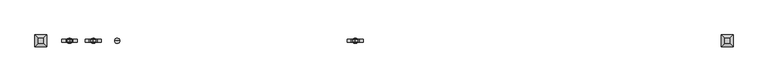
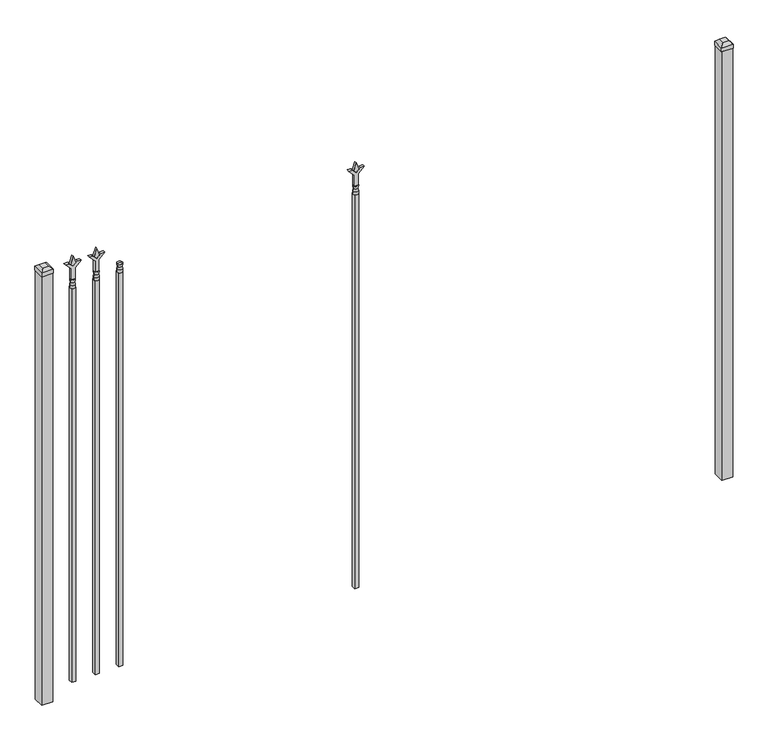
"""IFC4 building model written with IfcOpenShell, lengths in millimetres: railing geometry."""

from ifc_helpers import new_model, si_unit, frame, origin, origin_with_axes, place, context, project, spatial, polyline, circle_curve, outline, extrude, faceted_brep, source, transform, mapped, element, save
from ifc_brep_helpers import plane_surface, cylinder_surface, revolved_surface, advanced_brep


def railing_da590af6(model_context):
    return source(origin(), model_context, "Body", "SolidModel", [
        advanced_brep(
        [(-60983.1035036, -6731.2570174, 1993.9), (-61006.9160036, -6731.2570174, 1993.9), (-61006.9160036, -6731.2570174, 1981.2), (-60983.1035036, -6731.2570174, 1981.2), (-60985.3088355, -6731.2570174, 2006.4070585), (-61004.7106718, -6731.2570174, 2006.4070585), (-60983.1035036, -6731.2570174, 2022.475), (-61006.9160036, -6731.2570174, 2022.475), (-60995.0097536, -6731.2570174, 2022.475), (-60995.0097536, -6731.2570174, 1981.2)],
        [
            (0, 1, circle_curve(frame((-60995.0097536, -6731.2570174, 1993.9), z_axis=(0.0, 0.0, -1.0), x_axis=(-1.0, 0.0, 0.0)), 11.90625)),
            (1, 2),
            (2, 3, circle_curve(frame((-60995.0097536, -6731.2570174, 1981.2), z_axis=(0.0, 0.0, 1.0), x_axis=(-1.0, 0.0, 0.0)), 11.90625)),
            (3, 0),
            (1, 0, circle_curve(frame((-60995.0097536, -6731.2570174, 1993.9), z_axis=(0.0, 0.0, -1.0), x_axis=(-1.0, 0.0, 0.0)), 11.90625)),
            (3, 2, circle_curve(frame((-60995.0097536, -6731.2570174, 1981.2), z_axis=(0.0, 0.0, 1.0), x_axis=(-1.0, 0.0, 0.0)), 11.90625)),
            (4, 5, circle_curve(frame((-60995.0097536, -6731.2570174, 2006.4070585), z_axis=(0.0, 0.0, -1.0), x_axis=(-1.0, 0.0, 0.0)), 9.7009181)),
            (5, 1),
            (0, 4),
            (5, 4, circle_curve(frame((-60995.0097536, -6731.2570174, 2006.4070585), z_axis=(0.0, 0.0, -1.0), x_axis=(-1.0, 0.0, 0.0)), 9.7009181)),
            (6, 7, circle_curve(frame((-60995.0097536, -6731.2570174, 2022.475), z_axis=(0.0, 0.0, -1.0), x_axis=(-1.0, 0.0, 0.0)), 11.90625)),
            (7, 5),
            (4, 6),
            (7, 6, circle_curve(frame((-60995.0097536, -6731.2570174, 2022.475), z_axis=(0.0, 0.0, -1.0), x_axis=(-1.0, 0.0, 0.0)), 11.90625)),
            (8, 7),
            (6, 8),
            (2, 9),
            (9, 3),
        ],
        [
            cylinder_surface(frame((-60995.0097536, -6731.2570174, 1981.2), z_axis=(0.0, 0.0, 1.0), x_axis=(-1.0, 0.0, 0.0)), 11.90625),
            revolved_surface(polyline([(-61006.9160036, -6731.2570174, 1993.9), (-61004.7106718, -6731.2570174, 2006.4070585)]), (-60995.0097536, -6731.2570174, 1981.2), (0.0, 0.0, 1.0)),
            revolved_surface(polyline([(-61004.7106718, -6731.2570174, 2006.4070585), (-61006.9160036, -6731.2570174, 2022.475)]), (-60995.0097536, -6731.2570174, 1981.2), (0.0, 0.0, 1.0)),
            plane_surface(frame((-60995.0097536, -6731.2570174, 2022.475), z_axis=(0.0, 0.0, 1.0), x_axis=(-1.0, 0.0, 0.0))),
            plane_surface(frame((-60995.0097536, -6731.2570174, 1981.2), z_axis=(0.0, 0.0, -1.0), x_axis=(-1.0, 0.0, 0.0))),
        ],
        [
            (0, [[1, 2, 3, 4]]),
            (0, [[5, -4, 6, -2]]),
            (1, [[7, 8, -1, 9]]),
            (1, [[10, -9, -5, -8]]),
            (2, [[11, 12, -7, 13]]),
            (2, [[14, -13, -10, -12]]),
            (3, [[15, -11, 16]]),
            (3, [[-16, -14, -15]]),
            (4, [[-3, 17, 18]]),
            (4, [[-6, -18, -17]]),
        ],
    ),
        extrude(outline(polyline([(-61004.5347536, -6721.7320174), (-60985.4847536, -6721.7320174), (-60985.4847536, -6740.7820174), (-61004.5347536, -6740.7820174), (-61004.5347536, -6721.7320174)])), frame((0.0, 0.0, 50.8), z_axis=(0.0, 0.0, 1.0), x_axis=(1.0, 0.0, 0.0)), (0.0, 0.0, 1.0), 1930.4),
        extrude(outline(polyline([(2097.88125, -61092.3764203), (2133.6, -61104.2826703), (2097.88125, -61116.1889203), (2085.975, -61104.2826703), (2097.88125, -61092.3764203)])), frame((0.0, -6736.0195174, 0.0), z_axis=(0.0, 1.0, 0.0), x_axis=(0.0, 0.0, 1.0)), (0.0, 0.0, 1.0), 9.525),
        extrude(outline(polyline([(2022.475, -61095.5514203), (2076.7457378, -61095.5514203), (2103.9355122, -61068.3616458), (2103.9355122, -61086.3221581), (2085.975, -61104.2826703), (2103.9355122, -61122.2431825), (2103.9355122, -61140.2036948), (2076.7457378, -61113.0139203), (2022.475, -61113.0139203), (2022.475, -61095.5514203)])), frame((0.0, -6737.6070174, 0.0), z_axis=(0.0, 1.0, 0.0), x_axis=(0.0, 0.0, 1.0)), (0.0, 0.0, 1.0), 12.7),
        advanced_brep(
        [(-61092.3764203, -6731.2570174, 1993.9), (-61116.1889203, -6731.2570174, 1993.9), (-61116.1889203, -6731.2570174, 1981.2), (-61092.3764203, -6731.2570174, 1981.2), (-61094.5817522, -6731.2570174, 2006.4070585), (-61113.9835884, -6731.2570174, 2006.4070585), (-61092.3764203, -6731.2570174, 2022.475), (-61116.1889203, -6731.2570174, 2022.475), (-61104.2826703, -6731.2570174, 2022.475), (-61104.2826703, -6731.2570174, 1981.2)],
        [
            (0, 1, circle_curve(frame((-61104.2826703, -6731.2570174, 1993.9), z_axis=(0.0, 0.0, -1.0), x_axis=(-1.0, 0.0, 0.0)), 11.90625)),
            (1, 2),
            (2, 3, circle_curve(frame((-61104.2826703, -6731.2570174, 1981.2), z_axis=(0.0, 0.0, 1.0), x_axis=(-1.0, 0.0, 0.0)), 11.90625)),
            (3, 0),
            (1, 0, circle_curve(frame((-61104.2826703, -6731.2570174, 1993.9), z_axis=(0.0, 0.0, -1.0), x_axis=(-1.0, 0.0, 0.0)), 11.90625)),
            (3, 2, circle_curve(frame((-61104.2826703, -6731.2570174, 1981.2), z_axis=(0.0, 0.0, 1.0), x_axis=(-1.0, 0.0, 0.0)), 11.90625)),
            (4, 5, circle_curve(frame((-61104.2826703, -6731.2570174, 2006.4070585), z_axis=(0.0, 0.0, -1.0), x_axis=(-1.0, 0.0, 0.0)), 9.7009181)),
            (5, 1),
            (0, 4),
            (5, 4, circle_curve(frame((-61104.2826703, -6731.2570174, 2006.4070585), z_axis=(0.0, 0.0, -1.0), x_axis=(-1.0, 0.0, 0.0)), 9.7009181)),
            (6, 7, circle_curve(frame((-61104.2826703, -6731.2570174, 2022.475), z_axis=(0.0, 0.0, -1.0), x_axis=(-1.0, 0.0, 0.0)), 11.90625)),
            (7, 5),
            (4, 6),
            (7, 6, circle_curve(frame((-61104.2826703, -6731.2570174, 2022.475), z_axis=(0.0, 0.0, -1.0), x_axis=(-1.0, 0.0, 0.0)), 11.90625)),
            (8, 7),
            (6, 8),
            (2, 9),
            (9, 3),
        ],
        [
            cylinder_surface(frame((-61104.2826703, -6731.2570174, 1981.2), z_axis=(0.0, 0.0, 1.0), x_axis=(-1.0, 0.0, 0.0)), 11.90625),
            revolved_surface(polyline([(-61116.1889203, -6731.2570174, 1993.9), (-61113.9835884, -6731.2570174, 2006.4070585)]), (-61104.2826703, -6731.2570174, 1981.2), (0.0, 0.0, 1.0)),
            revolved_surface(polyline([(-61113.9835884, -6731.2570174, 2006.4070585), (-61116.1889203, -6731.2570174, 2022.475)]), (-61104.2826703, -6731.2570174, 1981.2), (0.0, 0.0, 1.0)),
            plane_surface(frame((-61104.2826703, -6731.2570174, 2022.475), z_axis=(0.0, 0.0, 1.0), x_axis=(-1.0, 0.0, 0.0))),
            plane_surface(frame((-61104.2826703, -6731.2570174, 1981.2), z_axis=(0.0, 0.0, -1.0), x_axis=(-1.0, 0.0, 0.0))),
        ],
        [
            (0, [[1, 2, 3, 4]]),
            (0, [[5, -4, 6, -2]]),
            (1, [[7, 8, -1, 9]]),
            (1, [[10, -9, -5, -8]]),
            (2, [[11, 12, -7, 13]]),
            (2, [[14, -13, -10, -12]]),
            (3, [[15, -11, 16]]),
            (3, [[-16, -14, -15]]),
            (4, [[-3, 17, 18]]),
            (4, [[-6, -18, -17]]),
        ],
    ),
        extrude(outline(polyline([(-61113.8076703, -6721.7320174), (-61094.7576703, -6721.7320174), (-61094.7576703, -6740.7820174), (-61113.8076703, -6740.7820174), (-61113.8076703, -6721.7320174)])), frame((0.0, 0.0, 50.8), z_axis=(0.0, 0.0, 1.0), x_axis=(1.0, 0.0, 0.0)), (0.0, 0.0, 1.0), 1930.4),
        extrude(outline(polyline([(2097.88125, -59890.374337), (2133.6, -59902.280587), (2097.88125, -59914.186837), (2085.975, -59902.280587), (2097.88125, -59890.374337)])), frame((0.0, -6736.0195174, 0.0), z_axis=(0.0, 1.0, 0.0), x_axis=(0.0, 0.0, 1.0)), (0.0, 0.0, 1.0), 9.525),
        extrude(outline(polyline([(2022.475, -59893.549337), (2076.7457378, -59893.549337), (2103.9355122, -59866.3595625), (2103.9355122, -59884.3200747), (2085.975, -59902.280587), (2103.9355122, -59920.2410992), (2103.9355122, -59938.2016114), (2076.7457378, -59911.011837), (2022.475, -59911.011837), (2022.475, -59893.549337)])), frame((0.0, -6737.6070174, 0.0), z_axis=(0.0, 1.0, 0.0), x_axis=(0.0, 0.0, 1.0)), (0.0, 0.0, 1.0), 12.7),
        advanced_brep(
        [(-59890.374337, -6731.2570174, 1993.9), (-59914.186837, -6731.2570174, 1993.9), (-59914.186837, -6731.2570174, 1981.2), (-59890.374337, -6731.2570174, 1981.2), (-59892.5796688, -6731.2570174, 2006.4070585), (-59911.9815051, -6731.2570174, 2006.4070585), (-59890.374337, -6731.2570174, 2022.475), (-59914.186837, -6731.2570174, 2022.475), (-59902.280587, -6731.2570174, 2022.475), (-59902.280587, -6731.2570174, 1981.2)],
        [
            (0, 1, circle_curve(frame((-59902.280587, -6731.2570174, 1993.9), z_axis=(0.0, 0.0, -1.0), x_axis=(-1.0, 0.0, 0.0)), 11.90625)),
            (1, 2),
            (2, 3, circle_curve(frame((-59902.280587, -6731.2570174, 1981.2), z_axis=(0.0, 0.0, 1.0), x_axis=(-1.0, 0.0, 0.0)), 11.90625)),
            (3, 0),
            (1, 0, circle_curve(frame((-59902.280587, -6731.2570174, 1993.9), z_axis=(0.0, 0.0, -1.0), x_axis=(-1.0, 0.0, 0.0)), 11.90625)),
            (3, 2, circle_curve(frame((-59902.280587, -6731.2570174, 1981.2), z_axis=(0.0, 0.0, 1.0), x_axis=(-1.0, 0.0, 0.0)), 11.90625)),
            (4, 5, circle_curve(frame((-59902.280587, -6731.2570174, 2006.4070585), z_axis=(0.0, 0.0, -1.0), x_axis=(-1.0, 0.0, 0.0)), 9.7009181)),
            (5, 1),
            (0, 4),
            (5, 4, circle_curve(frame((-59902.280587, -6731.2570174, 2006.4070585), z_axis=(0.0, 0.0, -1.0), x_axis=(-1.0, 0.0, 0.0)), 9.7009181)),
            (6, 7, circle_curve(frame((-59902.280587, -6731.2570174, 2022.475), z_axis=(0.0, 0.0, -1.0), x_axis=(-1.0, 0.0, 0.0)), 11.90625)),
            (7, 5),
            (4, 6),
            (7, 6, circle_curve(frame((-59902.280587, -6731.2570174, 2022.475), z_axis=(0.0, 0.0, -1.0), x_axis=(-1.0, 0.0, 0.0)), 11.90625)),
            (8, 7),
            (6, 8),
            (2, 9),
            (9, 3),
        ],
        [
            cylinder_surface(frame((-59902.280587, -6731.2570174, 1981.2), z_axis=(0.0, 0.0, 1.0), x_axis=(-1.0, 0.0, 0.0)), 11.90625),
            revolved_surface(polyline([(-59914.186837, -6731.2570174, 1993.9), (-59911.9815051, -6731.2570174, 2006.4070585)]), (-59902.280587, -6731.2570174, 1981.2), (0.0, 0.0, 1.0)),
            revolved_surface(polyline([(-59911.9815051, -6731.2570174, 2006.4070585), (-59914.186837, -6731.2570174, 2022.475)]), (-59902.280587, -6731.2570174, 1981.2), (0.0, 0.0, 1.0)),
            plane_surface(frame((-59902.280587, -6731.2570174, 2022.475), z_axis=(0.0, 0.0, 1.0), x_axis=(-1.0, 0.0, 0.0))),
            plane_surface(frame((-59902.280587, -6731.2570174, 1981.2), z_axis=(0.0, 0.0, -1.0), x_axis=(-1.0, 0.0, 0.0))),
        ],
        [
            (0, [[1, 2, 3, 4]]),
            (0, [[5, -4, 6, -2]]),
            (1, [[7, 8, -1, 9]]),
            (1, [[10, -9, -5, -8]]),
            (2, [[11, 12, -7, 13]]),
            (2, [[14, -13, -10, -12]]),
            (3, [[15, -11, 16]]),
            (3, [[-16, -14, -15]]),
            (4, [[-3, 17, 18]]),
            (4, [[-6, -18, -17]]),
        ],
    ),
        extrude(outline(polyline([(-59911.805587, -6721.7320174), (-59892.755587, -6721.7320174), (-59892.755587, -6740.7820174), (-59911.805587, -6740.7820174), (-59911.805587, -6721.7320174)])), frame((0.0, 0.0, 50.8), z_axis=(0.0, 0.0, 1.0), x_axis=(1.0, 0.0, 0.0)), (0.0, 0.0, 1.0), 1930.4),
        extrude(outline(polyline([(2097.88125, -61201.649337), (2133.6, -61213.555587), (2097.88125, -61225.461837), (2085.975, -61213.555587), (2097.88125, -61201.649337)])), frame((0.0, -6736.0195174, 0.0), z_axis=(0.0, 1.0, 0.0), x_axis=(0.0, 0.0, 1.0)), (0.0, 0.0, 1.0), 9.525),
        extrude(outline(polyline([(2022.475, -61204.824337), (2076.7457378, -61204.824337), (2103.9355122, -61177.6345625), (2103.9355122, -61195.5950747), (2085.975, -61213.555587), (2103.9355122, -61231.5160992), (2103.9355122, -61249.4766114), (2076.7457378, -61222.286837), (2022.475, -61222.286837), (2022.475, -61204.824337)])), frame((0.0, -6737.6070174, 0.0), z_axis=(0.0, 1.0, 0.0), x_axis=(0.0, 0.0, 1.0)), (0.0, 0.0, 1.0), 12.7),
        advanced_brep(
        [(-61201.649337, -6731.2570174, 1993.9), (-61225.461837, -6731.2570174, 1993.9), (-61225.461837, -6731.2570174, 1981.2), (-61201.649337, -6731.2570174, 1981.2), (-61203.8546688, -6731.2570174, 2006.4070585), (-61223.2565051, -6731.2570174, 2006.4070585), (-61201.649337, -6731.2570174, 2022.475), (-61225.461837, -6731.2570174, 2022.475), (-61213.555587, -6731.2570174, 2022.475), (-61213.555587, -6731.2570174, 1981.2)],
        [
            (0, 1, circle_curve(frame((-61213.555587, -6731.2570174, 1993.9), z_axis=(0.0, 0.0, -1.0), x_axis=(-1.0, 0.0, 0.0)), 11.90625)),
            (1, 2),
            (2, 3, circle_curve(frame((-61213.555587, -6731.2570174, 1981.2), z_axis=(0.0, 0.0, 1.0), x_axis=(-1.0, 0.0, 0.0)), 11.90625)),
            (3, 0),
            (1, 0, circle_curve(frame((-61213.555587, -6731.2570174, 1993.9), z_axis=(0.0, 0.0, -1.0), x_axis=(-1.0, 0.0, 0.0)), 11.90625)),
            (3, 2, circle_curve(frame((-61213.555587, -6731.2570174, 1981.2), z_axis=(0.0, 0.0, 1.0), x_axis=(-1.0, 0.0, 0.0)), 11.90625)),
            (4, 5, circle_curve(frame((-61213.555587, -6731.2570174, 2006.4070585), z_axis=(0.0, 0.0, -1.0), x_axis=(-1.0, 0.0, 0.0)), 9.7009181)),
            (5, 1),
            (0, 4),
            (5, 4, circle_curve(frame((-61213.555587, -6731.2570174, 2006.4070585), z_axis=(0.0, 0.0, -1.0), x_axis=(-1.0, 0.0, 0.0)), 9.7009181)),
            (6, 7, circle_curve(frame((-61213.555587, -6731.2570174, 2022.475), z_axis=(0.0, 0.0, -1.0), x_axis=(-1.0, 0.0, 0.0)), 11.90625)),
            (7, 5),
            (4, 6),
            (7, 6, circle_curve(frame((-61213.555587, -6731.2570174, 2022.475), z_axis=(0.0, 0.0, -1.0), x_axis=(-1.0, 0.0, 0.0)), 11.90625)),
            (8, 7),
            (6, 8),
            (2, 9),
            (9, 3),
        ],
        [
            cylinder_surface(frame((-61213.555587, -6731.2570174, 1981.2), z_axis=(0.0, 0.0, 1.0), x_axis=(-1.0, 0.0, 0.0)), 11.90625),
            revolved_surface(polyline([(-61225.461837, -6731.2570174, 1993.9), (-61223.2565051, -6731.2570174, 2006.4070585)]), (-61213.555587, -6731.2570174, 1981.2), (0.0, 0.0, 1.0)),
            revolved_surface(polyline([(-61223.2565051, -6731.2570174, 2006.4070585), (-61225.461837, -6731.2570174, 2022.475)]), (-61213.555587, -6731.2570174, 1981.2), (0.0, 0.0, 1.0)),
            plane_surface(frame((-61213.555587, -6731.2570174, 2022.475), z_axis=(0.0, 0.0, 1.0), x_axis=(-1.0, 0.0, 0.0))),
            plane_surface(frame((-61213.555587, -6731.2570174, 1981.2), z_axis=(0.0, 0.0, -1.0), x_axis=(-1.0, 0.0, 0.0))),
        ],
        [
            (0, [[1, 2, 3, 4]]),
            (0, [[5, -4, 6, -2]]),
            (1, [[7, 8, -1, 9]]),
            (1, [[10, -9, -5, -8]]),
            (2, [[11, 12, -7, 13]]),
            (2, [[14, -13, -10, -12]]),
            (3, [[15, -11, 16]]),
            (3, [[-16, -14, -15]]),
            (4, [[-3, 17, 18]]),
            (4, [[-6, -18, -17]]),
        ],
    ),
        extrude(outline(polyline([(-61223.080587, -6721.7320174), (-61204.030587, -6721.7320174), (-61204.030587, -6740.7820174), (-61223.080587, -6740.7820174), (-61223.080587, -6721.7320174)])), frame((0.0, 0.0, 50.8), z_axis=(0.0, 0.0, 1.0), x_axis=(1.0, 0.0, 0.0)), (0.0, 0.0, 1.0), 1930.4),
        extrude(outline(polyline([(-58170.318087, -6705.8570174), (-58170.318087, -6756.6570174), (-58221.118087, -6756.6570174), (-58221.118087, -6705.8570174), (-58170.318087, -6705.8570174)])), origin_with_axes(), (0.0, 0.0, 1.0), 2101.85),
        faceted_brep([(-58222.705587, -6704.2695174, 2120.9), (-58222.705587, -6704.2695174, 2101.85), (-58222.705587, -6758.2445174, 2101.85), (-58222.705587, -6758.2445174, 2120.9), (-58210.005587, -6716.9695174, 2133.6), (-58210.005587, -6745.5445174, 2133.6), (-58168.730587, -6758.2445174, 2101.85), (-58168.730587, -6758.2445174, 2120.9), (-58181.430587, -6745.5445174, 2133.6), (-58168.730587, -6704.2695174, 2101.85), (-58168.730587, -6704.2695174, 2120.9), (-58181.430587, -6716.9695174, 2133.6)], [[[0, 1, 2, 3]], [[4, 0, 3, 5]], [[3, 2, 6, 7]], [[5, 3, 7, 8]], [[7, 6, 9, 10]], [[8, 7, 10, 11]], [[10, 9, 1, 0]], [[11, 10, 0, 4]], [[5, 8, 11, 4]], [[1, 9, 6, 2]]]),
        extrude(outline(polyline([(-61319.918087, -6705.8570174), (-61319.918087, -6756.6570174), (-61370.718087, -6756.6570174), (-61370.718087, -6705.8570174), (-61319.918087, -6705.8570174)])), origin_with_axes(), (0.0, 0.0, 1.0), 2101.85),
        faceted_brep([(-61372.305587, -6704.2695174, 2120.9), (-61372.305587, -6704.2695174, 2101.85), (-61372.305587, -6758.2445174, 2101.85), (-61372.305587, -6758.2445174, 2120.9), (-61359.605587, -6716.9695174, 2133.6), (-61359.605587, -6745.5445174, 2133.6), (-61318.330587, -6758.2445174, 2101.85), (-61318.330587, -6758.2445174, 2120.9), (-61331.030587, -6745.5445174, 2133.6), (-61318.330587, -6704.2695174, 2101.85), (-61318.330587, -6704.2695174, 2120.9), (-61331.030587, -6716.9695174, 2133.6)], [[[0, 1, 2, 3]], [[4, 0, 3, 5]], [[3, 2, 6, 7]], [[5, 3, 7, 8]], [[7, 6, 9, 10]], [[8, 7, 10, 11]], [[10, 9, 1, 0]], [[11, 10, 0, 4]], [[5, 8, 11, 4]], [[1, 9, 6, 2]]]),
    ])


if __name__ == "__main__":
    model = new_model("IFC4")
    model_context = context("Model", 3, world=origin())
    ifc_project = project(units=[si_unit("LENGTHUNIT", "METRE", prefix="MILLI")], contexts=[model_context])
    site = spatial("IfcSite", under=ifc_project)
    building = spatial("IfcBuilding", under=site)
    placement = place(None, origin())
    railing_shape = railing_da590af6(model_context)
    element("IfcRailing", 1, at=placement, inside=building, context=model_context, shape_type="MappedRepresentation", body=[
        mapped(railing_shape, transform((0.0, 0.0, 0.0), x_axis=(1.0, 0.0, 0.0), y_axis=(0.0, 1.0, 0.0), z_axis=(0.0, 0.0, 1.0))),
    ])
    save(model, "model.ifc")
